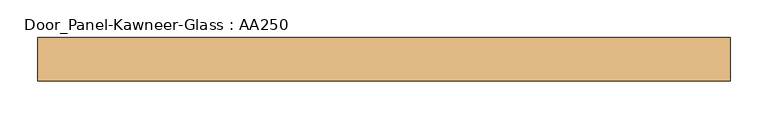
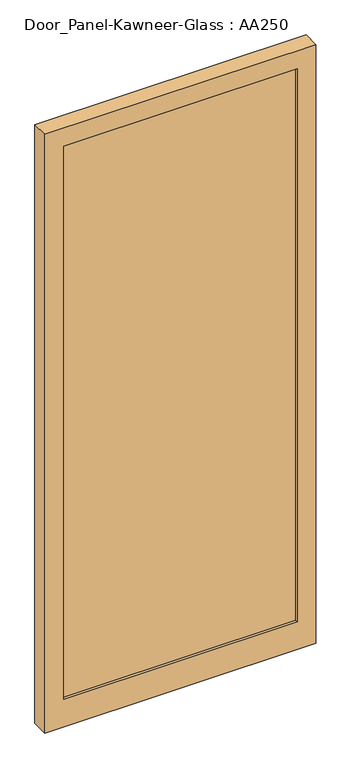
"""IFC4 building model written with IfcOpenShell, lengths in millimetres: door geometry, Door_Panel-Kawneer-Glass : AA250."""

from ifc_helpers import new_model, si_unit, frame, origin, place, context, project, spatial, polyline, outline, extrude, source, transform, mapped, element, save


def door_panel_kawneer_glass_aa250_7d1de5a6(model_context):
    return source(origin(), model_context, "Body", "SweptSolid", [
        extrude(outline(polyline([(850.9, 34.925), (850.9, 9.525), (63.5, 9.525), (63.5, 34.925), (850.9, 34.925)])), frame((0.0, 0.0, 98.425), z_axis=(0.0, 0.0, 1.0), x_axis=(1.0, 0.0, 0.0)), (0.0, 0.0, 1.0), 1971.675),
        extrude(outline(polyline([(2133.6, 914.4), (2133.6, 0.0), (0.0, 0.0), (0.0, 914.4), (2133.6, 914.4)]), holes=[polyline([(2070.1, 850.9), (98.425, 850.9), (98.425, 63.5), (2070.1, 63.5), (2070.1, 850.9)])]), frame((0.0, 0.0, 0.0), z_axis=(0.0, 1.0, 0.0), x_axis=(0.0, 0.0, 1.0)), (0.0, 0.0, 1.0), 57.15),
    ])


if __name__ == "__main__":
    model = new_model("IFC4")
    model_context = context("Model", 3, world=origin())
    ifc_project = project(units=[si_unit("LENGTHUNIT", "METRE", prefix="MILLI")], contexts=[model_context])
    site = spatial("IfcSite", under=ifc_project)
    building = spatial("IfcBuilding", under=site)
    placement = place(None, origin())
    door_panel_kawneer_glass_aa250_shape = door_panel_kawneer_glass_aa250_7d1de5a6(model_context)
    element("IfcDoor", 1, ObjectType="Door_Panel-Kawneer-Glass : AA250", at=placement, inside=building, context=model_context, shape_type="MappedRepresentation", body=[
        mapped(door_panel_kawneer_glass_aa250_shape, transform((0.0, 0.0, 0.0), x_axis=(1.0, 0.0, 0.0), y_axis=(0.0, 1.0, 0.0), z_axis=(0.0, 0.0, 1.0))),
    ])
    save(model, "model.ifc")
